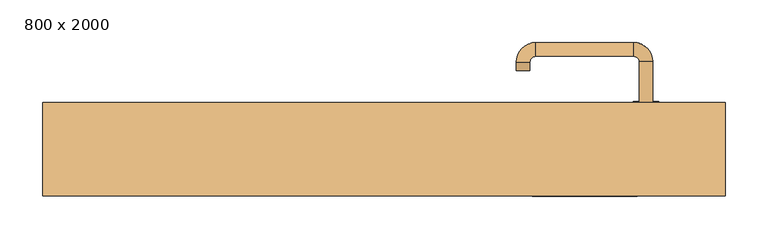
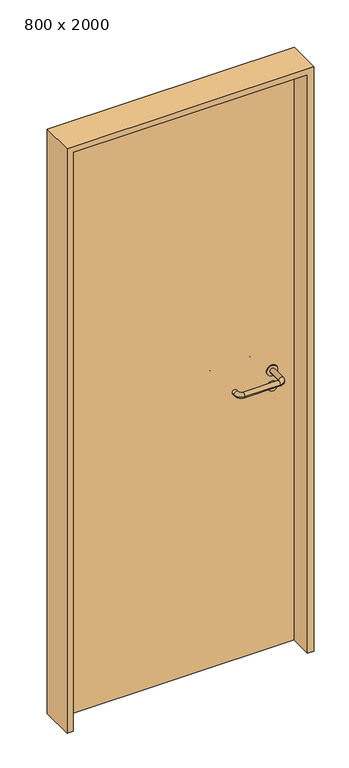
"""IFC4 building model written with IfcOpenShell, lengths in millimetres: door geometry, 800 x 2000."""

import ifcopenshell
import ifcopenshell.guid

model = None  # the IFC model being written
_history = None  # IfcOwnerHistory: only IFC2X3 demands one
_inside = {}  # id of a spatial element -> (the spatial element, [elements in it])
_under = {}  # id of a project, library or spatial element -> (it, [spatial elements below it])
_declared = {}  # id of a project -> (the project, [libraries it declares])
_typed = {}  # id of a type object -> (the type object, [elements of that type])
_made_of = {}  # id of a material, layer set ... -> (it, [elements and type objects made of it])


def new_model(schema):
    """Start an empty IFC model of exactly this schema.

    Asked for "IFC4X3", IfcOpenShell would pick the latest addendum, in which some entities
    have other attributes; the version numbers below select the first issue.
    IFC2X3 requires an IfcOwnerHistory on every rooted entity: one is made here for all.
    """
    global model, _history
    if schema == "IFC4X3":
        model = ifcopenshell.file(schema_version=(4, 3, 0, 0))
    else:
        model = ifcopenshell.file(schema=schema)
    _inside.clear()
    _under.clear()
    _declared.clear()
    _typed.clear()
    _made_of.clear()
    _history = None
    if model.schema == "IFC2X3":
        org = make("IfcOrganization", Name="unknown")
        user = make(
            "IfcPersonAndOrganization",
            ThePerson=make("IfcPerson", FamilyName="unknown"),
            TheOrganization=org,
        )
        app = make(
            "IfcApplication",
            ApplicationDeveloper=org,
            Version="unknown",
            ApplicationFullName="unknown",
            ApplicationIdentifier="unknown",
        )
        _history = make(
            "IfcOwnerHistory",
            OwningUser=user,
            OwningApplication=app,
            ChangeAction="ADDED",
            CreationDate=0,
        )
    return model


def make(cls, **values):
    """One entity of the class cls with the attributes given. An attribute that is None is left unset."""
    return model.create_entity(
        cls, **{name: value for name, value in values.items() if value is not None}
    )


def rooted(cls, **values):
    """An entity with a GlobalId (a new one), such as an element, a storey or a relation."""
    return make(cls, GlobalId=ifcopenshell.guid.new(), OwnerHistory=_history, **values)


def si_unit(unit_type, name, prefix=None):
    """IfcSIUnit, for example si_unit("LENGTHUNIT", "METRE", prefix="MILLI")."""
    return make("IfcSIUnit", UnitType=unit_type, Prefix=prefix, Name=name)


def assignment(units):
    """IfcUnitAssignment: the units of a project."""
    return None if units is None else make("IfcUnitAssignment", Units=units)


def point(xyz):
    """IfcCartesianPoint."""
    return None if xyz is None else make("IfcCartesianPoint", Coordinates=xyz)


def direction(xyz):
    """IfcDirection."""
    return None if xyz is None else make("IfcDirection", DirectionRatios=xyz)


def frame(location, z_axis=None, x_axis=None):
    """IfcAxis2Placement3D, a coordinate frame: its origin and axes. An axis left out is left unset."""
    return make(
        "IfcAxis2Placement3D",
        Location=point(location),
        Axis=direction(z_axis),
        RefDirection=direction(x_axis),
    )


def frame_2d(location, x_axis=None):
    """IfcAxis2Placement2D, a coordinate frame in the plane: its origin and x axis."""
    return make(
        "IfcAxis2Placement2D", Location=point(location), RefDirection=direction(x_axis)
    )


def origin():
    """The frame at (0, 0, 0) with its axes left unset."""
    return frame((0.0, 0.0, 0.0))


def origin_with_axes():
    """The frame at (0, 0, 0) with the z axis (0, 0, 1) and the x axis (1, 0, 0) written out."""
    return frame((0.0, 0.0, 0.0), z_axis=(0.0, 0.0, 1.0), x_axis=(1.0, 0.0, 0.0))


def place(relative_to, where):
    """IfcLocalPlacement: puts the frame where relative to a parent placement (None: the world)."""
    return make(
        "IfcLocalPlacement", PlacementRelTo=relative_to, RelativePlacement=where
    )


def context(
    kind, dimensions, precision=None, world=None, true_north=None, identifier=None
):
    """IfcGeometricRepresentationContext, for example the 3D "Model" context."""
    return make(
        "IfcGeometricRepresentationContext",
        ContextIdentifier=identifier,
        ContextType=kind,
        CoordinateSpaceDimension=dimensions,
        Precision=precision,
        WorldCoordinateSystem=world,
        TrueNorth=true_north,
    )


def project(units=None, contexts=None):
    """IfcProject with its units and contexts."""
    return rooted(
        "IfcProject",
        Name="project",
        RepresentationContexts=contexts,
        UnitsInContext=assignment(units),
    )


def spatial(cls, under=None, at=None, **own):
    """A site, building, storey or space (cls), placed at a placement, below another one or the project."""
    s = rooted(cls, ObjectPlacement=at, **own)
    if under is not None:
        _under.setdefault(under.id(), (under, []))[1].append(s)
    return s


def polyline(points):
    """IfcPolyline through the points."""
    return make("IfcPolyline", Points=[point(p) for p in points])


def circle_curve(where, radius):
    """IfcCircle in the frame where."""
    return make("IfcCircle", Position=where, Radius=radius)


def ellipse_curve(where, semi_axis1, semi_axis2):
    """IfcEllipse in the frame where."""
    return make(
        "IfcEllipse", Position=where, SemiAxis1=semi_axis1, SemiAxis2=semi_axis2
    )


def trimmed(basis, trim1, trim2, sense, master):
    """IfcTrimmedCurve: the piece of a basis curve between two trims."""
    return make(
        "IfcTrimmedCurve",
        BasisCurve=basis,
        Trim1=trim1,
        Trim2=trim2,
        SenseAgreement=sense,
        MasterRepresentation=master,
    )


def segment(curve, same_sense, transition):
    """IfcCompositeCurveSegment."""
    return make(
        "IfcCompositeCurveSegment",
        Transition=transition,
        SameSense=same_sense,
        ParentCurve=curve,
    )


def composite_curve(segments, self_intersect=None):
    """IfcCompositeCurve: segments joined end to end."""
    return make("IfcCompositeCurve", Segments=segments, SelfIntersect=self_intersect)


def outline(outer, holes=None, kind="AREA"):
    """IfcArbitraryClosedProfileDef: a profile drawn as a closed curve; with holes, ...WithVoids."""
    if holes is None:
        return make("IfcArbitraryClosedProfileDef", ProfileType=kind, OuterCurve=outer)
    return make(
        "IfcArbitraryProfileDefWithVoids",
        ProfileType=kind,
        OuterCurve=outer,
        InnerCurves=holes,
    )


def extrude(swept, where, along, depth):
    """IfcExtrudedAreaSolid: the profile swept, set in the frame where, extruded along a direction by depth."""
    return make(
        "IfcExtrudedAreaSolid",
        SweptArea=swept,
        Position=where,
        ExtrudedDirection=direction(along),
        Depth=depth,
    )


def shape(context_of_items, identifier, shape_type, items):
    """IfcShapeRepresentation: the items that make up one representation, for example the "Body"."""
    return make(
        "IfcShapeRepresentation",
        ContextOfItems=context_of_items,
        RepresentationIdentifier=identifier,
        RepresentationType=shape_type,
        Items=items,
    )


def source(mapping_origin, context_of_items, identifier, shape_type, items):
    """IfcRepresentationMap: a shape defined once, which mapped items show again and again."""
    return make(
        "IfcRepresentationMap",
        MappingOrigin=mapping_origin,
        MappedRepresentation=shape(context_of_items, identifier, shape_type, items),
    )


def transform(
    local_origin,
    x_axis=None,
    y_axis=None,
    z_axis=None,
    scale=None,
    scale2=None,
    scale3=None,
    uniform=True,
):
    """IfcCartesianTransformationOperator3D, or its non-uniform kind. x_axis, y_axis, z_axis: its Axis1, 2, 3."""
    if uniform:
        return make(
            "IfcCartesianTransformationOperator3D",
            Axis1=direction(x_axis),
            Axis2=direction(y_axis),
            LocalOrigin=point(local_origin),
            Scale=scale,
            Axis3=direction(z_axis),
        )
    return make(
        "IfcCartesianTransformationOperator3DnonUniform",
        Axis1=direction(x_axis),
        Axis2=direction(y_axis),
        LocalOrigin=point(local_origin),
        Scale=scale,
        Axis3=direction(z_axis),
        Scale2=scale2,
        Scale3=scale3,
    )


def mapped(mapping_source, mapping_target):
    """IfcMappedItem: shows the shape of a source again, moved by a transform."""
    return make(
        "IfcMappedItem", MappingSource=mapping_source, MappingTarget=mapping_target
    )


def made_of(thing, what):
    """Note that an element or type object is made of a material, layer set ...; save() writes the relation."""
    if what is not None:
        _made_of.setdefault(what.id(), (what, []))[1].append(thing)
    return thing


def element(
    cls,
    number,
    at=None,
    inside=None,
    cuts=None,
    type_object=None,
    material=None,
    context=None,
    identifier="Body",
    shape_type=None,
    held_by="IfcProductDefinitionShape",
    body=None,
    shapes=None,
    **own,
):
    """One element of the class cls, such as IfcWall. Its Tag is "e" and its number.

    at: its placement. inside: the storey or other place that contains it. cuts: it is an
    opening in that element (IfcRelVoidsElement). A single representation is given by context,
    identifier, shape_type and body (its items); several are given by shapes. held_by: the class
    of the entity that holds the representations. save() writes the other relations.
    """
    e = rooted(cls, Tag="e%d" % number, ObjectPlacement=at, **own)
    if body is not None:
        shapes = [shape(context, identifier, shape_type, body)]
    if shapes is not None:
        e.Representation = make(held_by, Representations=shapes)
    if inside is not None:
        _inside.setdefault(inside.id(), (inside, []))[1].append(e)
    if cuts is not None:
        rooted(
            "IfcRelVoidsElement", RelatingBuildingElement=cuts, RelatedOpeningElement=e
        )
    if type_object is not None:
        _typed.setdefault(type_object.id(), (type_object, []))[1].append(e)
    return made_of(e, material)


def aggregate(whole, parts):
    """IfcRelAggregates: a whole, such as a stair, and the parts it consists of."""
    return rooted("IfcRelAggregates", RelatingObject=whole, RelatedObjects=parts)


def save(model, path):
    """Write the relations noted so far, then the file.

    IfcRelAggregates (storeys below a building ...), IfcRelContainedInSpatialStructure (elements
    in a storey), IfcRelDefinesByType, IfcRelAssociatesMaterial and IfcRelDeclares: one each for
    every whole, place, type object, material and project.
    """
    for whole, parts in _under.values():
        aggregate(whole, parts)
    for where, things in _inside.values():
        rooted(
            "IfcRelContainedInSpatialStructure",
            RelatedElements=things,
            RelatingStructure=where,
        )
    for kind, things in _typed.values():
        rooted("IfcRelDefinesByType", RelatedObjects=things, RelatingType=kind)
    for what, things in _made_of.values():
        rooted("IfcRelAssociatesMaterial", RelatedObjects=things, RelatingMaterial=what)
    for by, libraries in _declared.values():
        rooted("IfcRelDeclares", RelatingContext=by, RelatedDefinitions=libraries)
    model.write(path)


def plane_surface(at):
    """IfcPlane: the flat surface through the origin of the frame at, square to its z axis."""
    return make("IfcPlane", Position=at)


def cylinder_surface(at, radius):
    """IfcCylindricalSurface: all points at the distance radius from the z axis of the frame at."""
    return make("IfcCylindricalSurface", Position=at, Radius=radius)


def revolved_surface(curve, axis_point, axis_direction):
    """IfcSurfaceOfRevolution: the curve turned about the line through axis_point along axis_direction."""
    return make(
        "IfcSurfaceOfRevolution",
        SweptCurve=make("IfcArbitraryOpenProfileDef", ProfileType="CURVE", Curve=curve),
        AxisPosition=make("IfcAxis1Placement", Location=point(axis_point), Axis=direction(axis_direction)),
    )


def advanced_brep(points, edges, surfaces, faces):
    """IfcAdvancedBrep: a solid bounded by faces that lie on surfaces and meet in shared edges.

    An edge is (start, end): straight between two places in points (the first is 0);
    or (start, end, curve); or (start, end, curve, False) where it runs against its curve.
    A face is (place in surfaces, loops), or (place, loops, False) where it looks against
    its surface's normal. A loop lists edges by number (the first is 1), with a minus sign
    where the edge is run from its end to its start. The first loop is the outer one.
    """
    corners = [point(p) for p in points]
    vertices = [make("IfcVertexPoint", VertexGeometry=c) for c in corners]
    made = []
    for start, end, *more in edges:
        made.append(
            make(
                "IfcEdgeCurve",
                EdgeStart=vertices[start],
                EdgeEnd=vertices[end],
                EdgeGeometry=more[0] if more else make("IfcPolyline", Points=[corners[start], corners[end]]),
                SameSense=more[1] if len(more) > 1 else True,
            )
        )
    hull = []
    for where, loops, *sense in faces:
        bounds = []
        for j, loop in enumerate(loops):
            ring = [make("IfcOrientedEdge", EdgeElement=made[abs(k) - 1], Orientation=k > 0) for k in loop]
            bounds.append(
                make(
                    "IfcFaceOuterBound" if j == 0 else "IfcFaceBound",
                    Bound=make("IfcEdgeLoop", EdgeList=ring),
                    Orientation=True,
                )
            )
        hull.append(make("IfcAdvancedFace", Bounds=bounds, FaceSurface=surfaces[where], SameSense=sense[0] if sense else True))
    return make("IfcAdvancedBrep", Outer=make("IfcClosedShell", CfsFaces=hull))


def door_800_x_2000_e8424372(model_context):
    return source(origin(), model_context, "Body", "SolidModel", [
        extrude(outline(composite_curve([segment(trimmed(circle_curve(frame_2d((897.3605726, 307.0)), 15.0), [point((897.3605726, 322.0))], [point((897.3605726, 292.0))], False, "CARTESIAN"), True, "CONTINUOUS"), segment(trimmed(circle_curve(frame_2d((897.3605726, 307.0)), 15.0), [point((897.3605726, 292.0))], [point((897.3605726, 322.0))], False, "CARTESIAN"), True, "CONTINUOUS")], self_intersect=False), holes=[composite_curve([segment(trimmed(circle_curve(frame_2d((892.5833211, 306.9398032)), 2.0), [point((892.5833211, 308.9398032))], [point((892.5833211, 304.9398032))], True, "CARTESIAN"), True, "CONTINUOUS"), segment(polyline([(892.5833211, 304.9398032), (902.5833211, 304.9398032)]), True, "CONTINUOUS"), segment(trimmed(circle_curve(frame_2d((902.5833211, 306.9398032)), 2.0), [point((902.5833211, 304.9398032))], [point((902.5833211, 308.9398032))], True, "CARTESIAN"), True, "CONTINUOUS"), segment(polyline([(902.5833211, 308.9398032), (892.5833211, 308.9398032)]), True, "CONTINUOUS")], self_intersect=False)]), frame((0.0, 18.65, 0.0), z_axis=(0.0, 1.0, 0.0), x_axis=(0.0, 0.0, 1.0)), (0.0, 0.0, 1.0), 6.35),
        extrude(outline(composite_curve([segment(trimmed(circle_curve(frame_2d((950.0, 307.0)), 17.526), [point((950.0, 324.526))], [point((950.0, 289.474))], False, "CARTESIAN"), True, "CONTINUOUS"), segment(trimmed(circle_curve(frame_2d((950.0, 307.0)), 17.526), [point((950.0, 289.474))], [point((950.0, 324.526))], False, "CARTESIAN"), True, "CONTINUOUS")], self_intersect=False)), frame((0.0, 21.825, 0.0), z_axis=(0.0, 1.0, 0.0), x_axis=(0.0, 0.0, 1.0)), (0.0, 0.0, 1.0), 3.175),
        advanced_brep(
        [(315.0, 25.0, 950.0), (299.0, 25.0, 950.0), (299.0, -28.0, 950.0), (315.0, -28.0, 950.0), (292.8578644, -34.1421356, 950.0), (292.8578644, -50.1421356, 950.0), (177.8578644, -34.1421356, 950.0), (177.8578644, -50.1421356, 950.0), (171.008622, -27.2928932, 950.0), (155.008622, -27.2928932, 950.0), (155.008622, -17.2928932, 950.0), (171.008622, -17.2928932, 950.0)],
        [
            (0, 1, circle_curve(frame((307.0, 25.0, 950.0), z_axis=(0.0, 1.0, 0.0), x_axis=(-1.0, 0.0, 0.0)), 8.0)),
            (1, 0, circle_curve(frame((307.0, 25.0, 950.0), z_axis=(0.0, 1.0, 0.0), x_axis=(-1.0, 0.0, 0.0)), 8.0)),
            (1, 2),
            (2, 3, circle_curve(frame((307.0, -28.0, 950.0), z_axis=(0.0, 1.0, 0.0), x_axis=(-1.0, 0.0, 0.0)), 8.0)),
            (3, 0),
            (3, 2, circle_curve(frame((307.0, -28.0, 950.0), z_axis=(0.0, 1.0, 0.0), x_axis=(-1.0, 0.0, 0.0)), 8.0)),
            (4, 5, circle_curve(frame((292.8578644, -42.1421356, 950.0), z_axis=(1.0, 0.0, 0.0), x_axis=(0.0, 1.0, 0.0)), 8.0)),
            (5, 3, circle_curve(frame((292.8578644, -28.0, 950.0), z_axis=(0.0, 0.0, 1.0), x_axis=(1.0, 0.0, 0.0)), 22.1421356)),
            (2, 4, circle_curve(frame((292.8578644, -28.0, 950.0), z_axis=(0.0, 0.0, -1.0), x_axis=(1.0, 0.0, 0.0)), 6.1421356)),
            (5, 4, circle_curve(frame((292.8578644, -42.1421356, 950.0), z_axis=(1.0, 0.0, 0.0), x_axis=(0.0, 1.0, 0.0)), 8.0)),
            (4, 6),
            (6, 7, circle_curve(frame((177.8578644, -42.1421356, 950.0), z_axis=(1.0, 0.0, 0.0), x_axis=(0.0, 1.0, 0.0)), 8.0)),
            (7, 5),
            (7, 6, circle_curve(frame((177.8578644, -42.1421356, 950.0), z_axis=(1.0, 0.0, 0.0), x_axis=(0.0, 1.0, 0.0)), 8.0)),
            (8, 9, circle_curve(frame((163.008622, -27.2928932, 950.0), z_axis=(0.0, -1.0, 0.0), x_axis=(1.0, 0.0, 0.0)), 8.0)),
            (9, 7, circle_curve(frame((177.8578644, -27.2928932, 950.0), z_axis=(0.0, 0.0, 1.0), x_axis=(0.0, -1.0, 0.0)), 22.8492424)),
            (6, 8, circle_curve(frame((177.8578644, -27.2928932, 950.0), z_axis=(0.0, 0.0, -1.0), x_axis=(0.0, -1.0, 0.0)), 6.8492424)),
            (9, 8, circle_curve(frame((163.008622, -27.2928932, 950.0), z_axis=(0.0, -1.0, 0.0), x_axis=(1.0, 0.0, 0.0)), 8.0)),
            (10, 11, circle_curve(frame((163.008622, -17.2928932, 950.0), z_axis=(0.0, 1.0, 0.0), x_axis=(1.0, 0.0, 0.0)), 8.0)),
            (11, 10, circle_curve(frame((163.008622, -17.2928932, 950.0), z_axis=(0.0, 1.0, 0.0), x_axis=(1.0, 0.0, 0.0)), 8.0)),
            (8, 11),
            (10, 9),
        ],
        [
            plane_surface(frame((307.0, 25.0, 0.0), z_axis=(0.0, 1.0, 0.0), x_axis=(0.0, 0.0, 1.0))),
            cylinder_surface(frame((307.0, 25.0, 950.0), z_axis=(0.0, 1.0, 0.0), x_axis=(-1.0, 0.0, 0.0)), 8.0),
            revolved_surface(trimmed(ellipse_curve(frame((307.0, -28.0, 950.0), z_axis=(0.0, -1.0, 0.0), x_axis=(-1.0, 0.0, 0.0)), 8.0, 8.0), [point((315.0, -28.0, 950.0))], [point((299.0, -28.0, 950.0))], True, "CARTESIAN"), (292.8578644, -28.0, 0.0), (0.0, 0.0, 1.0)),
            revolved_surface(trimmed(ellipse_curve(frame((307.0, -28.0, 950.0), z_axis=(0.0, -1.0, 0.0), x_axis=(-1.0, 0.0, 0.0)), 8.0, 8.0), [point((299.0, -28.0, 950.0))], [point((315.0, -28.0, 950.0))], True, "CARTESIAN"), (292.8578644, -28.0, 0.0), (0.0, 0.0, 1.0)),
            cylinder_surface(frame((292.8578644, -42.1421356, 950.0), z_axis=(1.0, 0.0, 0.0), x_axis=(0.0, 1.0, 0.0)), 8.0),
            revolved_surface(trimmed(ellipse_curve(frame((177.8578644, -42.1421356, 950.0), z_axis=(-1.0, 0.0, 0.0), x_axis=(0.0, 1.0, 0.0)), 8.0, 8.0), [point((177.8578644, -50.1421356, 950.0))], [point((177.8578644, -34.1421356, 950.0))], True, "CARTESIAN"), (177.8578644, -27.2928932, 0.0), (0.0, 0.0, 1.0)),
            revolved_surface(trimmed(ellipse_curve(frame((177.8578644, -42.1421356, 950.0), z_axis=(-1.0, 0.0, 0.0), x_axis=(0.0, 1.0, 0.0)), 8.0, 8.0), [point((177.8578644, -34.1421356, 950.0))], [point((177.8578644, -50.1421356, 950.0))], True, "CARTESIAN"), (177.8578644, -27.2928932, 0.0), (0.0, 0.0, 1.0)),
            plane_surface(frame((163.008622, -17.2928932, 0.0), z_axis=(0.0, 1.0, 0.0), x_axis=(0.0, 0.0, 1.0))),
            cylinder_surface(frame((163.008622, -27.2928932, 950.0), z_axis=(0.0, -1.0, 0.0), x_axis=(1.0, 0.0, 0.0)), 8.0),
        ],
        [
            (0, [[1, 2]]),
            (1, [[3, 4, 5, -2]]),
            (1, [[-5, 6, -3, -1]]),
            (2, [[7, 8, -4, 9]]),
            (3, [[10, -9, -6, -8]]),
            (4, [[11, 12, 13, -7]]),
            (4, [[-13, 14, -11, -10]]),
            (5, [[15, 16, -12, 17]]),
            (6, [[18, -17, -14, -16]]),
            (7, [[19, 20]]),
            (8, [[21, -19, 22, -15]]),
            (8, [[-22, -20, -21, -18]]),
        ],
    ),
        extrude(outline(composite_curve([segment(trimmed(circle_curve(frame_2d((0.0, -15.0)), 15.0), [point((0.0, -30.0))], [point((0.0, 0.0))], False, "CARTESIAN"), True, "CONTINUOUS"), segment(trimmed(circle_curve(frame_2d((0.0, -15.0)), 15.0), [point((0.0, 0.0))], [point((0.0, -30.0))], False, "CARTESIAN"), True, "CONTINUOUS")], self_intersect=False), holes=[composite_curve([segment(trimmed(circle_curve(frame_2d((4.7772515, -14.9398032)), 2.0), [point((4.7772515, -16.9398032))], [point((4.7772515, -12.9398032))], True, "CARTESIAN"), True, "CONTINUOUS"), segment(polyline([(4.7772515, -12.9398032), (-5.2227485, -12.9398032)]), True, "CONTINUOUS"), segment(trimmed(circle_curve(frame_2d((-5.2227485, -14.9398032)), 2.0), [point((-5.2227485, -12.9398032))], [point((-5.2227485, -16.9398032))], True, "CARTESIAN"), True, "CONTINUOUS"), segment(polyline([(-5.2227485, -16.9398032), (4.7772515, -16.9398032)]), True, "CONTINUOUS")], self_intersect=False)]), frame((292.0, 55.0, 897.3605726), z_axis=(1.8870575173328306e-12, 1.0, 0.0), x_axis=(0.0, 0.0, -1.0)), (0.0, 0.0, 1.0), 6.35),
        extrude(outline(composite_curve([segment(trimmed(circle_curve(frame_2d((0.0, -17.526)), 17.526), [point((0.0, -35.052))], [point((0.0, 0.0))], False, "CARTESIAN"), True, "CONTINUOUS"), segment(trimmed(circle_curve(frame_2d((0.0, -17.526)), 17.526), [point((0.0, 0.0))], [point((0.0, -35.052))], False, "CARTESIAN"), True, "CONTINUOUS")], self_intersect=False)), frame((289.474, 55.0, 950.0), z_axis=(1.8870575173328306e-12, 1.0, 0.0), x_axis=(0.0, 0.0, -1.0)), (0.0, 0.0, 1.0), 3.175),
        advanced_brep(
        [(315.0, 55.0, 950.0), (299.0, 55.0, 950.0), (315.0, 108.0, 950.0), (299.0, 108.0, 950.0), (292.8578644, 114.1421356, 950.0), (292.8578644, 130.1421356, 950.0), (177.8578644, 130.1421356, 950.0), (177.8578644, 114.1421356, 950.0), (171.008622, 107.2928932, 950.0), (155.008622, 107.2928932, 950.0), (155.008622, 97.2928932, 950.0), (171.008622, 97.2928932, 950.0)],
        [
            (0, 1, circle_curve(frame((307.0, 55.0, 950.0), z_axis=(-1.888672253512351e-12, -1.0, 0.0), x_axis=(-1.0, 1.888672253512351e-12, 0.0)), 8.0)),
            (1, 0, circle_curve(frame((307.0, 55.0, 950.0), z_axis=(-1.888672253512351e-12, -1.0, 0.0), x_axis=(-1.0, 1.888672253512351e-12, 0.0)), 8.0)),
            (0, 2),
            (2, 3, circle_curve(frame((307.0, 108.0, 950.0), z_axis=(-1.888672253512351e-12, -1.0, 0.0), x_axis=(-1.0, 1.888672253512351e-12, 0.0)), 8.0)),
            (3, 1),
            (3, 2, circle_curve(frame((307.0, 108.0, 950.0), z_axis=(-1.888672253512351e-12, -1.0, 0.0), x_axis=(-1.0, 1.888672253512351e-12, 0.0)), 8.0)),
            (4, 3, circle_curve(frame((292.8578644, 108.0, 950.0), z_axis=(0.0, 0.0, -1.0), x_axis=(1.0, -1.880717803715015e-12, 0.0)), 6.1421356)),
            (2, 5, circle_curve(frame((292.8578644, 108.0, 950.0), z_axis=(0.0, 0.0, 1.0), x_axis=(1.0, -1.880717803715015e-12, 0.0)), 22.1421356)),
            (5, 4, circle_curve(frame((292.8578644, 122.1421356, 950.0), z_axis=(1.0, -1.913702061528922e-12, 0.0), x_axis=(-1.913702061528922e-12, -1.0, 0.0)), 8.0)),
            (4, 5, circle_curve(frame((292.8578644, 122.1421356, 950.0), z_axis=(1.0, -1.913702061528922e-12, 0.0), x_axis=(-1.913702061528922e-12, -1.0, 0.0)), 8.0)),
            (5, 6),
            (6, 7, circle_curve(frame((177.8578644, 122.1421356, 950.0), z_axis=(1.0, -1.913719828541269e-12, 0.0), x_axis=(-1.913719828541269e-12, -1.0, 0.0)), 8.0)),
            (7, 4),
            (7, 6, circle_curve(frame((177.8578644, 122.1421356, 950.0), z_axis=(1.0, -1.913719828541269e-12, 0.0), x_axis=(-1.913719828541269e-12, -1.0, 0.0)), 8.0)),
            (8, 7, circle_curve(frame((177.8578644, 107.2928932, 950.0), z_axis=(0.0, 0.0, -1.0), x_axis=(1.9120873253494017e-12, 1.0, 0.0)), 6.8492424)),
            (6, 9, circle_curve(frame((177.8578644, 107.2928932, 950.0), z_axis=(0.0, 0.0, 1.0), x_axis=(1.9120873253494017e-12, 1.0, 0.0)), 22.8492424)),
            (9, 8, circle_curve(frame((163.008622, 107.2928932, 950.0), z_axis=(1.890448610351751e-12, 1.0, 0.0), x_axis=(1.0, -1.890448610351751e-12, 0.0)), 8.0)),
            (8, 9, circle_curve(frame((163.008622, 107.2928932, 950.0), z_axis=(1.8888942981172756e-12, 1.0, 0.0), x_axis=(1.0, -1.8888942981172756e-12, 0.0)), 8.0)),
            (10, 11, circle_curve(frame((163.008622, 97.2928932, 950.0), z_axis=(-1.8903642334018795e-12, -1.0, 0.0), x_axis=(1.0, -1.8903642334018795e-12, 0.0)), 8.0)),
            (11, 10, circle_curve(frame((163.008622, 97.2928932, 950.0), z_axis=(-1.8903642334018795e-12, -1.0, 0.0), x_axis=(1.0, -1.8903642334018795e-12, 0.0)), 8.0)),
            (9, 10),
            (11, 8),
        ],
        [
            plane_surface(frame((307.0, 55.0, 0.0), z_axis=(-1.8870575173328306e-12, -1.0, 0.0), x_axis=(0.0, 0.0, 1.0))),
            cylinder_surface(frame((307.0, 55.0, 950.0), z_axis=(-1.888672253512351e-12, -1.0, 0.0), x_axis=(-1.0, 1.888672253512351e-12, 0.0)), 8.0),
            revolved_surface(trimmed(ellipse_curve(frame((307.0, 108.0, 950.0), z_axis=(-1.8823325398945356e-12, -1.0, 0.0), x_axis=(-1.0, 1.8823325398945356e-12, 0.0)), 8.0, 8.0), [point((315.0, 108.0, 950.0))], [point((299.0, 108.0, 950.0))], True, "CARTESIAN"), (292.8578644, 108.0, 0.0), (0.0, 0.0, 1.0)),
            revolved_surface(trimmed(ellipse_curve(frame((307.0, 108.0, 950.0), z_axis=(-1.8823325398945356e-12, -1.0, 0.0), x_axis=(-1.0, 1.8823325398945356e-12, 0.0)), 8.0, 8.0), [point((299.0, 108.0, 950.0))], [point((315.0, 108.0, 950.0))], True, "CARTESIAN"), (292.8578644, 108.0, 0.0), (0.0, 0.0, 1.0)),
            cylinder_surface(frame((292.8578644, 122.1421356, 950.0), z_axis=(1.0, -1.913719828541269e-12, 0.0), x_axis=(-1.913719828541269e-12, -1.0, 0.0)), 8.0),
            revolved_surface(trimmed(ellipse_curve(frame((177.8578644, 122.1421356, 950.0), z_axis=(1.0, -1.913702061528922e-12, 0.0), x_axis=(-1.913702061528922e-12, -1.0, 0.0)), 8.0, 8.0), [point((177.8578644, 130.1421356, 950.0))], [point((177.8578644, 114.1421356, 950.0))], True, "CARTESIAN"), (177.8578644, 107.2928932, 0.0), (0.0, 0.0, 1.0)),
            revolved_surface(trimmed(ellipse_curve(frame((177.8578644, 122.1421356, 950.0), z_axis=(1.0, -1.913702061528922e-12, 0.0), x_axis=(-1.913702061528922e-12, -1.0, 0.0)), 8.0, 8.0), [point((177.8578644, 114.1421356, 950.0))], [point((177.8578644, 130.1421356, 950.0))], True, "CARTESIAN"), (177.8578644, 107.2928932, 0.0), (0.0, 0.0, 1.0)),
            plane_surface(frame((163.008622, 97.2928932, 0.0), z_axis=(-1.8887494972223595e-12, -1.0, 0.0), x_axis=(0.0, 0.0, 1.0))),
            cylinder_surface(frame((163.008622, 107.2928932, 950.0), z_axis=(1.8903642334018795e-12, 1.0, 0.0), x_axis=(1.0, -1.8903642334018795e-12, 0.0)), 8.0),
        ],
        [
            (0, [[1, 2]]),
            (1, [[-1, 3, 4, 5]]),
            (1, [[-2, -5, 6, -3]]),
            (2, [[7, -4, 8, 9]]),
            (3, [[-8, -6, -7, 10]]),
            (4, [[-9, 11, 12, 13]]),
            (4, [[-10, -13, 14, -11]]),
            (5, [[15, -12, 16, 17]]),
            (6, [[-16, -14, -15, 18]]),
            (7, [[19, 20]]),
            (8, [[-17, 21, -20, 22]]),
            (8, [[-18, -22, -19, -21]]),
        ],
    ),
        extrude(outline(polyline([(1980.0, 380.0), (0.0, 380.0), (0.0, 400.0), (2000.0, 400.0), (2000.0, -400.0), (0.0, -400.0), (0.0, -380.0), (1980.0, -380.0), (1980.0, 380.0)])), frame((0.0, -50.0, 0.0), z_axis=(0.0, 1.0, 0.0), x_axis=(0.0, 0.0, 1.0)), (0.0, 0.0, 1.0), 110.0),
        extrude(outline(polyline([(-380.0, 55.0), (380.0, 55.0), (380.0, 25.0), (-380.0, 25.0), (-380.0, 55.0)])), origin_with_axes(), (0.0, 0.0, 1.0), 1980.0),
    ])


if __name__ == "__main__":
    model = new_model("IFC4")
    model_context = context("Model", 3, world=origin())
    ifc_project = project(units=[si_unit("LENGTHUNIT", "METRE", prefix="MILLI")], contexts=[model_context])
    site = spatial("IfcSite", under=ifc_project)
    building = spatial("IfcBuilding", under=site)
    placement = place(None, origin())
    door_800_x_2000_shape = door_800_x_2000_e8424372(model_context)
    element("IfcDoor", 1, ObjectType="800 x 2000", at=placement, inside=building, context=model_context, shape_type="MappedRepresentation", body=[
        mapped(door_800_x_2000_shape, transform((0.0, 0.0, 0.0), x_axis=(1.0, 0.0, 0.0), y_axis=(0.0, 1.0, 0.0), z_axis=(0.0, 0.0, 1.0))),
    ])
    save(model, "model.ifc")
